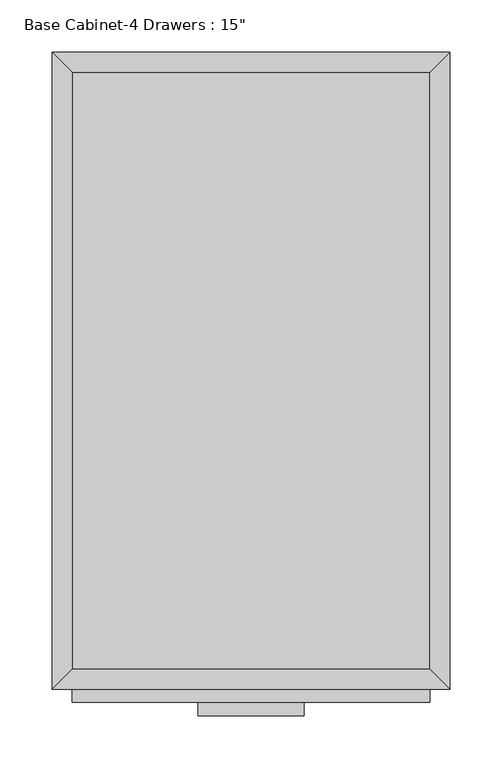
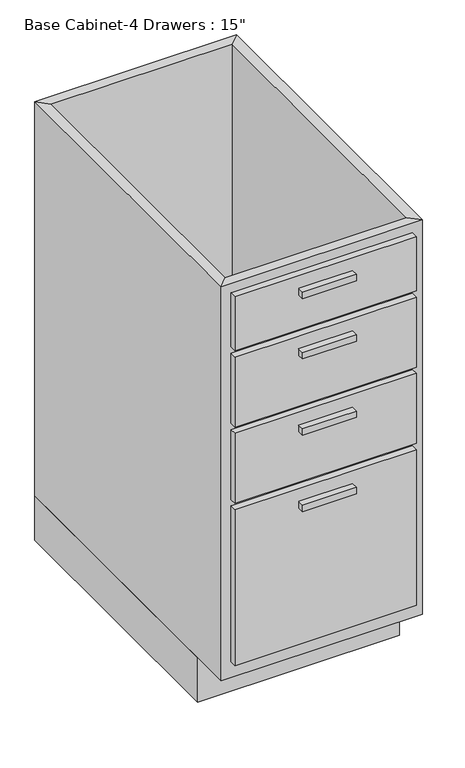
"""IFC4 building model written with IfcOpenShell, lengths in millimetres: furniture geometry."""

from ifc_helpers import new_model, si_unit, frame, origin, origin_with_axes, place, context, project, spatial, polyline, outline, extrude, faceted_brep, source, transform, mapped, element, save


def furniture_a33faecb(model_context):
    return source(origin(), model_context, "Body", "SolidModel", [
        extrude(outline(polyline([(69.5377049, -635.0), (-32.0622951, -635.0), (-32.0622951, -622.3), (69.5377049, -622.3), (69.5377049, -635.0)])), frame((0.0, 0.0, 819.15), z_axis=(0.0, 0.0, 1.0), x_axis=(1.0, 0.0, 0.0)), (0.0, 0.0, 1.0), 12.7),
        extrude(outline(polyline([(69.5377049, -635.0), (-32.0622951, -635.0), (-32.0622951, -622.3), (69.5377049, -622.3), (69.5377049, -635.0)])), frame((0.0, 0.0, 698.5), z_axis=(0.0, 0.0, 1.0), x_axis=(1.0, 0.0, 0.0)), (0.0, 0.0, 1.0), 12.7),
        extrude(outline(polyline([(69.5377049, -635.0), (-32.0622951, -635.0), (-32.0622951, -622.3), (69.5377049, -622.3), (69.5377049, -635.0)])), frame((0.0, 0.0, 546.1), z_axis=(0.0, 0.0, 1.0), x_axis=(1.0, 0.0, 0.0)), (0.0, 0.0, 1.0), 12.7),
        extrude(outline(polyline([(69.5377049, -635.0), (-32.0622951, -635.0), (-32.0622951, -622.3), (69.5377049, -622.3), (69.5377049, -635.0)])), frame((0.0, 0.0, 393.7), z_axis=(0.0, 0.0, 1.0), x_axis=(1.0, 0.0, 0.0)), (0.0, 0.0, 1.0), 12.7),
        extrude(outline(polyline([(190.1877049, -622.3), (-152.7122951, -622.3), (-152.7122951, -609.6), (190.1877049, -609.6), (190.1877049, -622.3)])), frame((0.0, 0.0, 749.3), z_axis=(0.0, 0.0, 1.0), x_axis=(1.0, 0.0, 0.0)), (0.0, 0.0, 1.0), 107.95),
        extrude(outline(polyline([(190.1877049, -622.3), (-152.7122951, -622.3), (-152.7122951, -609.6), (190.1877049, -609.6), (190.1877049, -622.3)])), frame((0.0, 0.0, 596.9), z_axis=(0.0, 0.0, 1.0), x_axis=(1.0, 0.0, 0.0)), (0.0, 0.0, 1.0), 139.7),
        extrude(outline(polyline([(190.1877049, -622.3), (-152.7122951, -622.3), (-152.7122951, -609.6), (190.1877049, -609.6), (190.1877049, -622.3)])), frame((0.0, 0.0, 444.5), z_axis=(0.0, 0.0, 1.0), x_axis=(1.0, 0.0, 0.0)), (0.0, 0.0, 1.0), 139.7),
        extrude(outline(polyline([(190.1877049, -622.3), (-152.7122951, -622.3), (-152.7122951, -609.6), (190.1877049, -609.6), (190.1877049, -622.3)])), frame((0.0, 0.0, 120.65), z_axis=(0.0, 0.0, 1.0), x_axis=(1.0, 0.0, 0.0)), (0.0, 0.0, 1.0), 311.15),
        extrude(outline(polyline([(190.1877049, -19.05), (190.1877049, -590.55), (-152.7122951, -590.55), (-152.7122951, -19.05), (190.1877049, -19.05)])), frame((0.0, 0.0, 88.9), z_axis=(0.0, 0.0, 1.0), x_axis=(1.0, 0.0, 0.0)), (0.0, 0.0, 1.0), 19.05),
        faceted_brep([(190.1877049, -590.55, 876.3), (190.1877049, -590.55, 88.9), (-152.7122951, -590.55, 88.9), (-152.7122951, -590.55, 876.3), (209.2377049, -609.6, 876.3), (-171.7622951, -609.6, 876.3), (209.2377049, -609.6, 88.9), (-171.7622951, -609.6, 88.9), (-152.7122951, -19.05, 88.9), (-152.7122951, -19.05, 876.3), (-171.7622951, 0.0, 876.3), (-171.7622951, 0.0, 88.9), (190.1877049, -19.05, 88.9), (190.1877049, -19.05, 876.3), (209.2377049, 0.0, 876.3), (209.2377049, 0.0, 88.9)], [[[0, 1, 2, 3]], [[4, 0, 3, 5]], [[6, 4, 5, 7]], [[1, 6, 7, 2]], [[3, 2, 8, 9]], [[5, 3, 9, 10]], [[7, 5, 10, 11]], [[2, 7, 11, 8]], [[9, 8, 12, 13]], [[10, 9, 13, 14]], [[11, 10, 14, 15]], [[8, 11, 15, 12]], [[13, 12, 1, 0]], [[14, 13, 0, 4]], [[15, 14, 4, 6]], [[12, 15, 6, 1]]]),
        extrude(outline(polyline([(209.2377049, 0.0), (209.2377049, -533.4), (-171.7622951, -533.4), (-171.7622951, 0.0), (209.2377049, 0.0)])), origin_with_axes(), (0.0, 0.0, 1.0), 88.9),
    ])


if __name__ == "__main__":
    model = new_model("IFC4")
    model_context = context("Model", 3, world=origin())
    ifc_project = project(units=[si_unit("LENGTHUNIT", "METRE", prefix="MILLI")], contexts=[model_context])
    site = spatial("IfcSite", under=ifc_project)
    building = spatial("IfcBuilding", under=site)
    placement = place(None, origin())
    furniture_shape = furniture_a33faecb(model_context)
    element("IfcFurniture", 1, ObjectType="Base Cabinet-4 Drawers : 15\"", at=placement, inside=building, context=model_context, shape_type="MappedRepresentation", body=[
        mapped(furniture_shape, transform((0.0, 0.0, 0.0), x_axis=(1.0, 0.0, 0.0), y_axis=(0.0, 1.0, 0.0), z_axis=(0.0, 0.0, 1.0))),
    ])
    save(model, "model.ifc")
